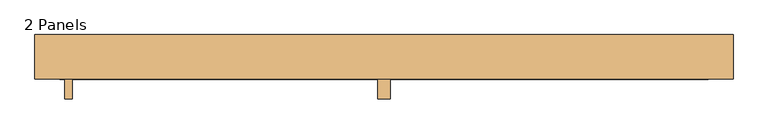
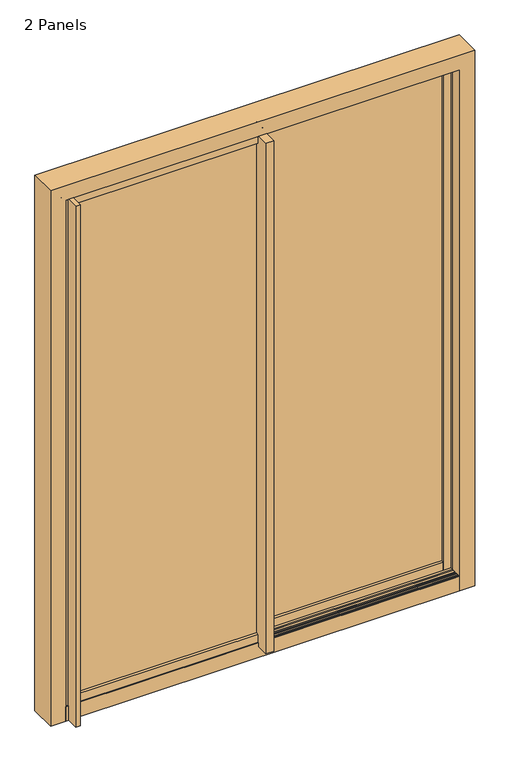
"""IFC4 building model written with IfcOpenShell, lengths in millimetres: door geometry, 2 Panels."""

from ifc_helpers import new_model, si_unit, point, frame, frame_2d, origin, origin_with_axes, place, context, project, spatial, polyline, circle_curve, ellipse_curve, trimmed, segment, composite_curve, outline, extrude, faceted_brep, source, transform, mapped, element, save
from ifc_brep_helpers import plane_surface, cylinder_surface, advanced_brep


def door_2_panels_af30ab54(model_context):
    return source(origin(), model_context, "Body", "SolidModel", [
        extrude(outline(polyline([(815.9757468, 82.5290794), (863.9741464, 82.5290794), (868.3632468, 81.4515037), (868.3632468, 79.9594375), (846.9383468, 79.9594375), (846.9383468, 70.6956282), (840.8876047, 70.6956282), (840.8876047, 49.9100696), (846.9383468, 49.9100696), (846.9383468, 40.6462603), (868.3632468, 40.6462603), (868.3632468, 39.1541941), (863.9741464, 38.0766184), (815.9757468, 38.0766184), (815.9757468, 47.6040794), (828.7285342, 47.6040794), (828.7285342, 73.0040794), (815.9757468, 73.0040794), (815.9757468, 82.5290794)])), origin_with_axes(), (0.0, 0.0, 1.0), 2373.3132468),
        extrude(outline(polyline([(-6.3442857, 24.1258107), (-7.514721, 23.8210107), (-7.7221895, 26.1886928), (-12.4839012, 26.1886928), (-12.6913697, 23.8210107), (-16.881, 23.8210107), (-16.881, 82.8244537), (17.119, 82.8244537), (17.119, 73.0081102), (4.3200485, 73.0081102), (4.3200485, 47.6081102), (17.119, 47.6081102), (17.119, 38.0806497), (-4.9252907, 38.0806497), (-4.9252907, 34.0128698), (0.4595907, 33.0014697), (0.4595907, 31.2425381), (-1.3311907, 30.532162), (-1.3311907, 27.2191131), (4.3200485, 26.1576852), (4.3200485, 24.7818627), (-1.9280907, 24.1258107), (-6.3442857, 24.1258107)])), frame((0.0, 0.0, 47.224651), z_axis=(0.0, 0.0, 1.0), x_axis=(1.0, 0.0, 0.0)), (0.0, 0.0, 1.0), 2326.0885959),
        extrude(outline(polyline([(17.0, 36.5058497), (17.0, -80.5285393), (-17.0, -80.5285393), (-17.0, -12.7), (-4.2521035, -12.7), (-4.2521035, 12.7), (-17.0, 12.7), (-17.0, 22.2462107), (5.0442907, 22.2462107), (5.0442907, 26.1984133), (-0.3405907, 27.2098134), (-0.3405907, 29.0843223), (1.4089324, 29.7783319), (1.4089324, 32.9862567), (-4.2010485, 34.0399354), (-4.2010485, 35.5449977), (4.9499593, 36.5058497), (7.633721, 36.5058497), (7.8411895, 34.1381676), (12.6029012, 34.1381676), (12.8103697, 36.5058497), (17.0, 36.5058497)])), frame((0.0, 0.0, 47.224651), z_axis=(0.0, 0.0, 1.0), x_axis=(1.0, 0.0, 0.0)), (0.0, 0.0, 1.0), 2326.0885959),
        extrude(outline(polyline([(-836.6132469, 80.5447926), (-815.9757468, 80.5447926), (-815.9757468, 12.7), (-828.7283564, 12.7), (-828.7283564, -12.7), (-815.9757468, -12.7), (-815.9757468, -80.5048322), (-836.6132469, -80.5048322), (-836.6132469, -22.213902), (-868.3632468, -22.213902), (-868.3632468, 22.2538623), (-836.6132469, 22.2538623), (-836.6132469, 80.5447926)])), origin_with_axes(), (0.0, 0.0, 1.0), 2373.3132468),
        advanced_brep(
        [(856.2779983, 22.2356443, 4.3891646), (855.4609412, 22.6166443, 4.3891646), (850.8880468, 22.6166443, 4.3891646), (850.8880468, -22.5953557, 4.3891646), (855.4591439, -22.5953557, 4.3891646), (856.2779983, -22.2143557, 4.3891646), (875.9651815, -22.2143557, 4.3891646), (878.3682772, -21.0937738, 4.3891646), (879.0338165, -22.5210273, 4.3891646), (876.3143063, -23.7891557, 4.3891646), (849.3132468, -23.7891557, 4.3891646), (849.3132468, 23.8104443, 4.3891646), (876.3143063, 23.8104443, 4.3891646), (879.0338165, 22.5423159, 4.3891646), (878.3682772, 21.1150624, 4.3891646), (875.9651815, 22.2356443, 4.3891646), (856.2779983, 22.2356443, 2380.2155092), (855.4609412, 22.6166443, 2379.398452), (0.0624891, 22.6166443, 2379.398452), (0.0624891, 22.6166443, 2374.8255577), (850.8880468, 22.6166443, 2374.8255577), (850.8880468, -22.5953557, 2374.8255577), (0.0624891, -22.5953557, 2374.8255577), (0.0624891, -22.5953557, 2379.3966548), (855.4591439, -22.5953557, 2379.3966548), (856.2779983, -22.2143557, 2380.2155092), (0.0624891, -22.2143557, 2380.2155092), (0.0624891, -22.2143557, 2399.9026924), (875.9651815, -22.2143557, 2399.9026924), (878.3682772, -21.0937738, 2402.3057881), (879.0338165, -22.5210273, 2402.9713274), (876.3143063, -23.7891557, 2400.2518172), (0.0624891, -23.7891557, 2400.2518172), (0.0624891, -23.7891557, 2373.2507577), (849.3132468, -23.7891557, 2373.2507577), (849.3132468, 23.8104443, 2373.2507577), (0.0624891, 23.8104443, 2373.2507577), (0.0624891, 23.8104443, 2400.2518172), (876.3143063, 23.8104443, 2400.2518172), (879.0338165, 22.5423159, 2402.9713274), (878.3682772, 21.1150624, 2402.3057881), (875.9651815, 22.2356443, 2399.9026924), (0.0624891, 22.2356443, 2399.9026924), (0.0624891, 22.2356443, 2380.2155092), (0.0624891, 21.1150624, 2402.3057881), (0.0624891, 22.5423159, 2402.9713274), (0.0624891, -22.5210273, 2402.9713274), (0.0624891, -21.0937738, 2402.3057881)],
        [
            (0, 1),
            (1, 2),
            (2, 3),
            (3, 4),
            (4, 5),
            (5, 6),
            (6, 7),
            (7, 8, circle_curve(frame((878.5748783, -21.8662339, 4.3891646), z_axis=(0.0, 0.0, -1.0), x_axis=(-1.0, 0.0, 0.0)), 0.7996115)),
            (8, 9),
            (9, 10),
            (10, 11),
            (11, 12),
            (12, 13),
            (13, 14, circle_curve(frame((878.5748783, 21.8875225, 4.3891646), z_axis=(0.0, 0.0, -1.0), x_axis=(-1.0, 0.0, 0.0)), 0.7996115)),
            (14, 15),
            (15, 0),
            (0, 16),
            (16, 17),
            (17, 1),
            (17, 18),
            (18, 19),
            (19, 20),
            (20, 2),
            (20, 21),
            (21, 3),
            (21, 22),
            (22, 23),
            (23, 24),
            (24, 4),
            (24, 25),
            (25, 5),
            (25, 26),
            (26, 27),
            (27, 28),
            (28, 6),
            (28, 29),
            (29, 7),
            (29, 30, ellipse_curve(frame((878.5748783, -21.8662339, 2402.5123892), z_axis=(0.7071067811865475, 0.0, -0.7071067811865475), x_axis=(-0.7071067811865474, 0.0, -0.7071067811865476)), 1.1308215, 0.7996115)),
            (30, 8),
            (30, 31),
            (31, 9),
            (31, 32),
            (32, 33),
            (33, 34),
            (34, 10),
            (34, 35),
            (35, 11),
            (35, 36),
            (36, 37),
            (37, 38),
            (38, 12),
            (38, 39),
            (39, 13),
            (39, 40, ellipse_curve(frame((878.5748783, 21.8875225, 2402.5123892), z_axis=(0.7071067811865475, 0.0, -0.7071067811865475), x_axis=(-0.7071067811865474, 0.0, -0.7071067811865476)), 1.1308215, 0.7996115)),
            (40, 14),
            (40, 41),
            (41, 15),
            (41, 42),
            (42, 43),
            (43, 16),
            (42, 44),
            (44, 45, circle_curve(frame((0.0624891, 21.8875225, 2402.5123892), z_axis=(-1.0, 0.0, 0.0), x_axis=(0.0, 0.0, -1.0)), 0.7996115)),
            (45, 37),
            (36, 33),
            (32, 46),
            (46, 47, circle_curve(frame((0.0624891, -21.8662339, 2402.5123892), z_axis=(-1.0, 0.0, 0.0), x_axis=(0.0, 0.0, -1.0)), 0.7996115)),
            (47, 27),
            (26, 23),
            (22, 19),
            (18, 43),
            (40, 44),
            (39, 45),
            (30, 46),
            (29, 47),
        ],
        [
            plane_surface(frame((914.4624891, -60.2665413, 4.3891646), z_axis=(0.0, 0.0, -1.0), x_axis=(0.0, -1.0, 0.0))),
            plane_surface(frame((856.2779983, 22.2356443, 4.3891646), z_axis=(-0.4226182571726684, -0.9063077891667579, 0.0), x_axis=(0.0, 0.0, 1.0))),
            plane_surface(frame((855.4609412, 22.6166443, 4.3891646), z_axis=(0.0, -1.0, 0.0), x_axis=(0.0, 0.0, 1.0))),
            plane_surface(frame((850.8880468, 22.6166443, 4.3891646), z_axis=(1.0, 0.0, 0.0), x_axis=(0.0, 0.0, 1.0))),
            plane_surface(frame((850.8880468, -22.5953557, 4.3891646), z_axis=(0.0, 1.0, 0.0), x_axis=(0.0, 0.0, 1.0))),
            plane_surface(frame((855.4591439, -22.5953557, 4.3891646), z_axis=(-0.4218559087348512, 0.906662887883635, 0.0), x_axis=(0.0, 0.0, 1.0))),
            plane_surface(frame((856.2779983, -22.2143557, 4.3891646), z_axis=(0.0, 1.0, 0.0), x_axis=(0.0, 0.0, 1.0))),
            plane_surface(frame((875.9651815, -22.2143557, 4.3891646), z_axis=(-0.42261825717236645, 0.9063077891668987, 0.0), x_axis=(0.0, 0.0, 1.0))),
            cylinder_surface(frame((878.5748783, -21.8662339, 4.3891646), z_axis=(0.0, 0.0, -1.0), x_axis=(-1.0, 0.0, 0.0)), 0.7996115),
            plane_surface(frame((879.0338165, -22.5210273, 4.3891646), z_axis=(0.42261825717223656, -0.9063077891669592, 0.0), x_axis=(0.0, 0.0, 1.0))),
            plane_surface(frame((876.3143063, -23.7891557, 4.3891646), z_axis=(0.0, -1.0, 0.0), x_axis=(0.0, 0.0, 1.0))),
            plane_surface(frame((849.3132468, -23.7891557, 4.3891646), z_axis=(-1.0, 0.0, 0.0), x_axis=(0.0, 0.0, 1.0))),
            plane_surface(frame((849.3132468, 23.8104443, 4.3891646), z_axis=(0.0, 1.0, 0.0), x_axis=(0.0, 0.0, 1.0))),
            plane_surface(frame((876.3143063, 23.8104443, 4.3891646), z_axis=(0.4226182571722667, 0.9063077891669452, 0.0), x_axis=(0.0, 0.0, 1.0))),
            cylinder_surface(frame((878.5748783, 21.8875225, 4.3891646), z_axis=(0.0, 0.0, -1.0), x_axis=(-1.0, 0.0, 0.0)), 0.7996115),
            plane_surface(frame((878.3682772, 21.1150624, 4.3891646), z_axis=(-0.42261825717239265, -0.9063077891668865, 0.0), x_axis=(0.0, 0.0, 1.0))),
            plane_surface(frame((875.9651815, 22.2356443, 4.3891646), z_axis=(0.0, -1.0, 0.0), x_axis=(0.0, 0.0, 1.0))),
            plane_surface(frame((0.0624891, -60.2665413, 2438.4), z_axis=(-1.0, 0.0, 0.0), x_axis=(0.0, -1.0, 0.0))),
            plane_surface(frame((878.3682772, 21.1150624, 2402.3057881), z_axis=(0.0, -0.9063077891668865, -0.42261825717239265), x_axis=(-1.0, 0.0, 0.0))),
            cylinder_surface(frame((914.4624891, 21.8875225, 2402.5123892), z_axis=(1.0, 0.0, 0.0), x_axis=(0.0, 0.0, -1.0)), 0.7996115),
            plane_surface(frame((876.3143063, 23.8104443, 2400.2518172), z_axis=(0.0, 0.9063077891669452, 0.4226182571722667), x_axis=(-1.0, 0.0, 0.0))),
            plane_surface(frame((849.3132468, -23.7891557, 2373.2507577), z_axis=(0.0, 0.0, -1.0), x_axis=(-1.0, 0.0, 0.0))),
            plane_surface(frame((879.0338165, -22.5210273, 2402.9713274), z_axis=(0.0, -0.9063077891669592, 0.42261825717223656), x_axis=(-1.0, 0.0, 0.0))),
            cylinder_surface(frame((914.4624891, -21.8662339, 2402.5123892), z_axis=(1.0, 0.0, 0.0), x_axis=(0.0, 0.0, -1.0)), 0.7996115),
            plane_surface(frame((875.9651815, -22.2143557, 2399.9026924), z_axis=(0.0, 0.9063077891668987, -0.42261825717236645), x_axis=(-1.0, 0.0, 0.0))),
            plane_surface(frame((855.4591439, -22.5953557, 2379.3966548), z_axis=(0.0, 0.906662887883635, -0.4218559087348512), x_axis=(-1.0, 0.0, 0.0))),
            plane_surface(frame((850.8880468, 22.6166443, 2374.8255577), z_axis=(0.0, 0.0, 1.0), x_axis=(-1.0, 0.0, 0.0))),
            plane_surface(frame((856.2779983, 22.2356443, 2380.2155092), z_axis=(0.0, -0.9063077891667579, -0.4226182571726684), x_axis=(-1.0, 0.0, 0.0))),
        ],
        [
            (0, [[1, 2, 3, 4, 5, 6, 7, 8, 9, 10, 11, 12, 13, 14, 15, 16]]),
            (1, [[-1, 17, 18, 19]]),
            (2, [[-2, -19, 20, 21, 22, 23]]),
            (3, [[-3, -23, 24, 25]]),
            (4, [[-4, -25, 26, 27, 28, 29]]),
            (5, [[-5, -29, 30, 31]]),
            (6, [[-6, -31, 32, 33, 34, 35]]),
            (7, [[-7, -35, 36, 37]]),
            (8, [[-8, -37, 38, 39]]),
            (9, [[-9, -39, 40, 41]]),
            (10, [[-10, -41, 42, 43, 44, 45]]),
            (11, [[-11, -45, 46, 47]]),
            (12, [[-12, -47, 48, 49, 50, 51]]),
            (13, [[-13, -51, 52, 53]]),
            (14, [[-14, -53, 54, 55]]),
            (15, [[-15, -55, 56, 57]]),
            (16, [[-16, -57, 58, 59, 60, -17]]),
            (17, [[-59, 61, 62, 63, -49, 64, -43, 65, 66, 67, -33, 68, -27, 69, -21, 70]]),
            (18, [[-56, 71, -61, -58]]),
            (19, [[-54, 72, -62, -71]]),
            (20, [[-52, -50, -63, -72]]),
            (21, [[-46, -44, -64, -48]]),
            (22, [[-40, 73, -65, -42]]),
            (23, [[-38, 74, -66, -73]]),
            (24, [[-36, -34, -67, -74]]),
            (25, [[-30, -28, -68, -32]]),
            (26, [[-24, -22, -69, -26]]),
            (27, [[-18, -60, -70, -20]]),
        ],
    ),
        advanced_brep(
        [(-856.2155092, 82.5021856, 4.3891646), (-875.9026924, 82.5021856, 4.3891646), (-878.3057881, 81.3816037, 4.3891646), (-878.9713274, 82.8088572, 4.3891646), (-876.2518172, 84.0769856, 4.3891646), (-849.2507577, 84.0769856, 4.3891646), (-849.2507577, 36.4773856, 4.3891646), (-876.2518172, 36.4773856, 4.3891646), (-878.9713274, 37.745514, 4.3891646), (-878.3057881, 39.1727675, 4.3891646), (-875.9026924, 38.0521856, 4.3891646), (-856.2155092, 38.0521856, 4.3891646), (-855.3966548, 37.6711856, 4.3891646), (-850.8255577, 37.6711856, 4.3891646), (-850.8255577, 82.8831856, 4.3891646), (-855.398452, 82.8831856, 4.3891646), (-856.2155092, 82.5021856, 2380.2155092), (0.0, 82.5021856, 2380.2155092), (0.0, 82.5021856, 2399.9026924), (-875.9026924, 82.5021856, 2399.9026924), (-878.3057881, 81.3816037, 2402.3057881), (-878.9713274, 82.8088572, 2402.9713274), (-876.2518172, 84.0769856, 2400.2518172), (0.0, 84.0769856, 2400.2518172), (0.0, 84.0769856, 2373.2507577), (-849.2507577, 84.0769856, 2373.2507577), (-849.2507577, 36.4773856, 2373.2507577), (0.0, 36.4773856, 2373.2507577), (0.0, 36.4773856, 2400.2518172), (-876.2518172, 36.4773856, 2400.2518172), (-878.9713274, 37.745514, 2402.9713274), (-878.3057881, 39.1727675, 2402.3057881), (-875.9026924, 38.0521856, 2399.9026924), (0.0, 38.0521856, 2399.9026924), (0.0, 38.0521856, 2380.2155092), (-856.2155092, 38.0521856, 2380.2155092), (-855.3966548, 37.6711856, 2379.3966548), (0.0, 37.6711856, 2379.3966548), (0.0, 37.6711856, 2374.8255577), (-850.8255577, 37.6711856, 2374.8255577), (-850.8255577, 82.8831856, 2374.8255577), (0.0, 82.8831856, 2374.8255577), (0.0, 82.8831856, 2379.398452), (-855.398452, 82.8831856, 2379.398452), (0.0, 39.1727675, 2402.3057881), (0.0, 37.745514, 2402.9713274), (0.0, 82.8088572, 2402.9713274), (0.0, 81.3816037, 2402.3057881)],
        [
            (0, 1),
            (1, 2),
            (2, 3, circle_curve(frame((-878.5123892, 82.1540638, 4.3891646), z_axis=(0.0, 0.0, -1.0), x_axis=(-1.0, 0.0, 0.0)), 0.7996115)),
            (3, 4),
            (4, 5),
            (5, 6),
            (6, 7),
            (7, 8),
            (8, 9, circle_curve(frame((-878.5123892, 38.4003074, 4.3891646), z_axis=(0.0, 0.0, -1.0), x_axis=(-1.0, 0.0, 0.0)), 0.7996115)),
            (9, 10),
            (10, 11),
            (11, 12),
            (12, 13),
            (13, 14),
            (14, 15),
            (15, 0),
            (0, 16),
            (16, 17),
            (17, 18),
            (18, 19),
            (19, 1),
            (19, 20),
            (20, 2),
            (20, 21, ellipse_curve(frame((-878.5123892, 82.1540638, 2402.5123892), z_axis=(-0.7071067811865475, 0.0, -0.7071067811865475), x_axis=(0.7071067811865474, 0.0, -0.7071067811865476)), 1.1308215, 0.7996115)),
            (21, 3),
            (21, 22),
            (22, 4),
            (22, 23),
            (23, 24),
            (24, 25),
            (25, 5),
            (25, 26),
            (26, 6),
            (26, 27),
            (27, 28),
            (28, 29),
            (29, 7),
            (29, 30),
            (30, 8),
            (30, 31, ellipse_curve(frame((-878.5123892, 38.4003074, 2402.5123892), z_axis=(-0.7071067811865475, 0.0, -0.7071067811865475), x_axis=(0.7071067811865474, 0.0, -0.7071067811865476)), 1.1308215, 0.7996115)),
            (31, 9),
            (31, 32),
            (32, 10),
            (32, 33),
            (33, 34),
            (34, 35),
            (35, 11),
            (35, 36),
            (36, 12),
            (36, 37),
            (37, 38),
            (38, 39),
            (39, 13),
            (39, 40),
            (40, 14),
            (40, 41),
            (41, 42),
            (42, 43),
            (43, 15),
            (43, 16),
            (17, 42),
            (41, 38),
            (37, 34),
            (33, 44),
            (44, 45, circle_curve(frame((0.0, 38.4003074, 2402.5123892), z_axis=(1.0, 0.0, 0.0), x_axis=(0.0, 0.0, 1.0)), 0.7996115)),
            (45, 28),
            (27, 24),
            (23, 46),
            (46, 47, circle_curve(frame((0.0, 82.1540638, 2402.5123892), z_axis=(1.0, 0.0, 0.0), x_axis=(0.0, 0.0, 1.0)), 0.7996115)),
            (47, 18),
            (31, 44),
            (30, 45),
            (21, 46),
            (20, 47),
        ],
        [
            plane_surface(frame((-914.4, 0.0, 4.3891646), z_axis=(0.0, 0.0, -1.0), x_axis=(0.0, -1.0, 0.0))),
            plane_surface(frame((-856.2155092, 82.5021856, 4.3891646), z_axis=(0.0, -1.0, 0.0), x_axis=(0.0, 0.0, 1.0))),
            plane_surface(frame((-875.9026924, 82.5021856, 4.3891646), z_axis=(0.42261825717239265, -0.9063077891668865, 0.0), x_axis=(0.0, 0.0, 1.0))),
            cylinder_surface(frame((-878.5123892, 82.1540638, 4.3891646), z_axis=(0.0, 0.0, -1.0), x_axis=(-1.0, 0.0, 0.0)), 0.7996115),
            plane_surface(frame((-878.9713274, 82.8088572, 4.3891646), z_axis=(-0.422618257172269, 0.9063077891669441, 0.0), x_axis=(0.0, 0.0, 1.0))),
            plane_surface(frame((-876.2518172, 84.0769856, 4.3891646), z_axis=(0.0, 1.0, 0.0), x_axis=(0.0, 0.0, 1.0))),
            plane_surface(frame((-849.2507577, 84.0769856, 4.3891646), z_axis=(1.0, 0.0, 0.0), x_axis=(0.0, 0.0, 1.0))),
            plane_surface(frame((-849.2507577, 36.4773856, 4.3891646), z_axis=(0.0, -1.0, 0.0), x_axis=(0.0, 0.0, 1.0))),
            plane_surface(frame((-876.2518172, 36.4773856, 4.3891646), z_axis=(-0.42261825717223656, -0.9063077891669592, 0.0), x_axis=(0.0, 0.0, 1.0))),
            cylinder_surface(frame((-878.5123892, 38.4003074, 4.3891646), z_axis=(0.0, 0.0, -1.0), x_axis=(-1.0, 0.0, 0.0)), 0.7996115),
            plane_surface(frame((-878.3057881, 39.1727675, 4.3891646), z_axis=(0.42261825717236645, 0.9063077891668987, 0.0), x_axis=(0.0, 0.0, 1.0))),
            plane_surface(frame((-875.9026924, 38.0521856, 4.3891646), z_axis=(0.0, 1.0, 0.0), x_axis=(0.0, 0.0, 1.0))),
            plane_surface(frame((-856.2155092, 38.0521856, 4.3891646), z_axis=(0.4218559087348512, 0.906662887883635, 0.0), x_axis=(0.0, 0.0, 1.0))),
            plane_surface(frame((-855.3966548, 37.6711856, 4.3891646), z_axis=(0.0, 1.0, 0.0), x_axis=(0.0, 0.0, 1.0))),
            plane_surface(frame((-850.8255577, 37.6711856, 4.3891646), z_axis=(-1.0, 0.0, 0.0), x_axis=(0.0, 0.0, 1.0))),
            plane_surface(frame((-850.8255577, 82.8831856, 4.3891646), z_axis=(0.0, -1.0, 0.0), x_axis=(0.0, 0.0, 1.0))),
            plane_surface(frame((-855.398452, 82.8831856, 4.3891646), z_axis=(0.4226182571726684, -0.9063077891667579, 0.0), x_axis=(0.0, 0.0, 1.0))),
            plane_surface(frame((0.0, 0.0, 2438.4), z_axis=(1.0, 0.0, 0.0), x_axis=(0.0, -1.0, 0.0))),
            plane_surface(frame((-855.398452, 82.8831856, 2379.398452), z_axis=(0.0, -0.9063077891667579, -0.4226182571726684), x_axis=(1.0, 0.0, 0.0))),
            plane_surface(frame((-850.8255577, 37.6711856, 2374.8255577), z_axis=(0.0, 0.0, 1.0), x_axis=(1.0, 0.0, 0.0))),
            plane_surface(frame((-856.2155092, 38.0521856, 2380.2155092), z_axis=(0.0, 0.906662887883635, -0.4218559087348512), x_axis=(1.0, 0.0, 0.0))),
            plane_surface(frame((-878.3057881, 39.1727675, 2402.3057881), z_axis=(0.0, 0.9063077891668987, -0.42261825717236645), x_axis=(1.0, 0.0, 0.0))),
            cylinder_surface(frame((-914.4, 38.4003074, 2402.5123892), z_axis=(-1.0, 0.0, 0.0), x_axis=(0.0, 0.0, 1.0)), 0.7996115),
            plane_surface(frame((-876.2518172, 36.4773856, 2400.2518172), z_axis=(0.0, -0.9063077891669592, 0.42261825717223656), x_axis=(1.0, 0.0, 0.0))),
            plane_surface(frame((-849.2507577, 84.0769856, 2373.2507577), z_axis=(0.0, 0.0, -1.0), x_axis=(1.0, 0.0, 0.0))),
            plane_surface(frame((-878.9713274, 82.8088572, 2402.9713274), z_axis=(0.0, 0.9063077891669441, 0.422618257172269), x_axis=(1.0, 0.0, 0.0))),
            cylinder_surface(frame((-914.4, 82.1540638, 2402.5123892), z_axis=(-1.0, 0.0, 0.0), x_axis=(0.0, 0.0, 1.0)), 0.7996115),
            plane_surface(frame((-875.9026924, 82.5021856, 2399.9026924), z_axis=(0.0, -0.9063077891668865, -0.42261825717239265), x_axis=(1.0, 0.0, 0.0))),
        ],
        [
            (0, [[1, 2, 3, 4, 5, 6, 7, 8, 9, 10, 11, 12, 13, 14, 15, 16]]),
            (1, [[-1, 17, 18, 19, 20, 21]]),
            (2, [[-2, -21, 22, 23]]),
            (3, [[-3, -23, 24, 25]]),
            (4, [[-4, -25, 26, 27]]),
            (5, [[-5, -27, 28, 29, 30, 31]]),
            (6, [[-6, -31, 32, 33]]),
            (7, [[-7, -33, 34, 35, 36, 37]]),
            (8, [[-8, -37, 38, 39]]),
            (9, [[-9, -39, 40, 41]]),
            (10, [[-10, -41, 42, 43]]),
            (11, [[-11, -43, 44, 45, 46, 47]]),
            (12, [[-12, -47, 48, 49]]),
            (13, [[-13, -49, 50, 51, 52, 53]]),
            (14, [[-14, -53, 54, 55]]),
            (15, [[-15, -55, 56, 57, 58, 59]]),
            (16, [[-16, -59, 60, -17]]),
            (17, [[61, -57, 62, -51, 63, -45, 64, 65, 66, -35, 67, -29, 68, 69, 70, -19]]),
            (18, [[-60, -58, -61, -18]]),
            (19, [[-54, -52, -62, -56]]),
            (20, [[-48, -46, -63, -50]]),
            (21, [[-42, 71, -64, -44]]),
            (22, [[-40, 72, -65, -71]]),
            (23, [[-38, -36, -66, -72]]),
            (24, [[-32, -30, -67, -34]]),
            (25, [[-26, 73, -68, -28]]),
            (26, [[-24, 74, -69, -73]]),
            (27, [[-22, -20, -70, -74]]),
        ],
    ),
        faceted_brep([(-914.4, -28.156056, 0.0), (-914.4, 88.4475797, 0.0), (-849.3132468, 88.4475797, 0.0), (-849.3132468, 84.4597797, 0.0), (-879.4884478, 84.4597797, 0.0), (-879.4884478, 36.1080384, 0.0), (-849.2507577, 36.1080384, 0.0), (-849.2507577, 24.1700384, 0.0), (-879.4884478, 24.1700384, 0.0), (-879.4884478, -24.168256, 0.0), (-849.3132468, -24.168256, 0.0), (-849.3132468, -28.156056, 0.0), (-914.4, -28.156056, 2438.4), (-914.4, 88.4475797, 2438.4), (914.4, 88.4475797, 2438.4), (914.4, 88.4475797, 0.0), (849.3132468, 88.4475797, 0.0), (849.3132468, 88.4475797, 2373.3132468), (-849.3132468, 88.4475797, 2373.3132468), (-849.3132468, 84.4597797, 2373.3132468), (849.3132468, 84.4597797, 2373.3132468), (849.3132468, 84.4597797, 0.0), (879.4884478, 84.4597797, 0.0), (879.4884478, 84.4597797, 2403.4884478), (-879.4884478, 84.4597797, 2403.4884478), (-879.4884478, 36.1080384, 2403.4884478), (879.4884478, 36.1080384, 2403.4884478), (879.4884478, 36.1080384, 0.0), (849.2507577, 36.1080384, 0.0), (849.2507577, 36.1080384, 2373.2507577), (-849.2507577, 36.1080384, 2373.2507577), (-849.2507577, 24.1700384, 2373.2507577), (849.2507577, 24.1700384, 2373.2507577), (849.2507577, 24.1700384, 0.0), (879.4884478, 24.1700384, 0.0), (879.4884478, 24.1700384, 2403.4884478), (-879.4884478, 24.1700384, 2403.4884478), (-879.4884478, -24.168256, 2403.4884478), (879.4884478, -24.168256, 2403.4884478), (879.4884478, -24.168256, 0.0), (849.3132468, -24.168256, 0.0), (849.3132468, -24.168256, 2373.3132468), (-849.3132468, -24.168256, 2373.3132468), (-849.3132468, -28.156056, 2373.3132468), (849.3132468, -28.156056, 2373.3132468), (849.3132468, -28.156056, 0.0), (914.4, -28.156056, 0.0), (914.4, -28.156056, 2438.4)], [[[0, 1, 2, 3, 4, 5, 6, 7, 8, 9, 10, 11]], [[1, 0, 12, 13]], [[2, 1, 13, 14, 15, 16, 17, 18]], [[3, 2, 18, 19]], [[4, 3, 19, 20, 21, 22, 23, 24]], [[5, 4, 24, 25]], [[6, 5, 25, 26, 27, 28, 29, 30]], [[7, 6, 30, 31]], [[8, 7, 31, 32, 33, 34, 35, 36]], [[9, 8, 36, 37]], [[10, 9, 37, 38, 39, 40, 41, 42]], [[11, 10, 42, 43]], [[0, 11, 43, 44, 45, 46, 47, 12]], [[46, 45, 40, 39, 34, 33, 28, 27, 22, 21, 16, 15]], [[44, 41, 40, 45]], [[38, 35, 34, 39]], [[32, 29, 28, 33]], [[26, 23, 22, 27]], [[20, 17, 16, 21]], [[14, 47, 46, 15]], [[13, 12, 47, 14]], [[19, 18, 17, 20]], [[25, 24, 23, 26]], [[31, 30, 29, 32]], [[37, 36, 35, 38]], [[43, 42, 41, 44]]]),
        extrude(outline(polyline([(-4.2521035, 12.0), (-4.2521035, -12.0), (-849.2507577, -12.0), (-849.2507577, 12.0), (-4.2521035, 12.0)])), frame((0.0, 0.0, 85.6716611), z_axis=(0.0, 0.0, 1.0), x_axis=(1.0, 0.0, 0.0)), (0.0, 0.0, 1.0), 2266.7050301),
        extrude(outline(polyline([(828.7285342, 73.0081102), (828.7285342, 47.5893606), (4.3200485, 47.5893606), (4.3200485, 73.0081102), (828.7285342, 73.0081102)])), frame((0.0, 0.0, 85.6716611), z_axis=(0.0, 0.0, 1.0), x_axis=(1.0, 0.0, 0.0)), (0.0, 0.0, 1.0), 2266.7050301),
        extrude(outline(composite_curve([segment(polyline([(-22.0185507, 99.692407), (-12.6852812, 103.0894389), (-12.6852812, 85.6716611), (12.7147188, 85.6716611), (12.7147188, 103.0894392), (22.0504493, 99.6915111), (22.0504493, 56.4374283), (21.2530712, 53.1102647)]), True, "CONTINUOUS"), segment(trimmed(circle_curve(frame_2d((20.2657993, 53.3501611)), 1.016), [point((21.2530712, 53.1102647))], [point((19.4412296, 52.7565781))], False, "CARTESIAN"), True, "CONTINUOUS"), segment(polyline([(19.4412296, 52.7565781), (19.4412296, 67.5918848), (-19.4093309, 67.5918848), (-19.4093309, 52.7565781)]), True, "CONTINUOUS"), segment(trimmed(circle_curve(frame_2d((-20.2339006, 53.3501611)), 1.016), [point((-19.4093309, 52.7565781))], [point((-21.2211725, 53.1102647))], False, "CARTESIAN"), True, "CONTINUOUS"), segment(polyline([(-21.2211725, 53.1102647), (-22.0185507, 56.4374283), (-22.0185507, 99.692407)]), True, "CONTINUOUS")], self_intersect=False)), frame((-868.3632468, 0.0, 0.0), z_axis=(1.0, 0.0, 0.0), x_axis=(0.0, 1.0, 0.0)), (0.0, 0.0, 1.0), 868.3632468),
        extrude(outline(composite_curve([segment(polyline([(-22.0185507, 2338.3559453), (-22.0185507, 2381.610924), (-21.2211725, 2384.9380876)]), True, "CONTINUOUS"), segment(trimmed(circle_curve(frame_2d((-20.2339006, 2384.6981912)), 1.016), [point((-21.2211725, 2384.9380876))], [point((-19.4093309, 2385.2917743))], False, "CARTESIAN"), True, "CONTINUOUS"), segment(polyline([(-19.4093309, 2385.2917743), (-19.4093309, 2370.4564675), (19.4412296, 2370.4564675), (19.4412296, 2385.2917743)]), True, "CONTINUOUS"), segment(trimmed(circle_curve(frame_2d((20.2657993, 2384.6981912)), 1.016), [point((19.4412296, 2385.2917743))], [point((21.2530712, 2384.9380876))], False, "CARTESIAN"), True, "CONTINUOUS"), segment(polyline([(21.2530712, 2384.9380876), (22.0504493, 2381.610924), (22.0504493, 2338.3568413), (12.7147188, 2334.9589131), (12.7147188, 2352.3766912), (-12.6852812, 2352.3766912), (-12.6852812, 2334.9589135), (-22.0185507, 2338.3559453)]), True, "CONTINUOUS")], self_intersect=False)), frame((-868.3632468, 0.0, 0.0), z_axis=(1.0, 0.0, 0.0), x_axis=(0.0, 1.0, 0.0)), (0.0, 0.0, 1.0), 864.1111433),
        extrude(outline(composite_curve([segment(polyline([(38.2708099, 99.692407), (47.6040794, 103.0894389), (47.6040794, 85.6716611), (73.0040794, 85.6716611), (73.0040794, 103.0894392), (82.3398099, 99.6915111), (82.3398099, 56.4374283), (81.5424318, 53.1102647)]), True, "CONTINUOUS"), segment(trimmed(circle_curve(frame_2d((80.5551599, 53.3501611)), 1.016), [point((81.5424318, 53.1102647))], [point((79.7305902, 52.7565781))], False, "CARTESIAN"), True, "CONTINUOUS"), segment(polyline([(79.7305902, 52.7565781), (79.7305902, 67.5918848), (40.8800296, 67.5918848), (40.8800296, 52.7565781)]), True, "CONTINUOUS"), segment(trimmed(circle_curve(frame_2d((40.0554599, 53.3501611)), 1.016), [point((40.8800296, 52.7565781))], [point((39.0681881, 53.1102647))], False, "CARTESIAN"), True, "CONTINUOUS"), segment(polyline([(39.0681881, 53.1102647), (38.2708099, 56.4374283), (38.2708099, 99.692407)]), True, "CONTINUOUS")], self_intersect=False)), frame((0.0, 0.0, 0.0), z_axis=(1.0, 0.0, 0.0), x_axis=(0.0, 1.0, 0.0)), (0.0, 0.0, 1.0), 849.3132468),
        extrude(outline(composite_curve([segment(polyline([(7.1326099, 65.0867532), (17.0466729, 65.0867532)]), True, "CONTINUOUS"), segment(trimmed(circle_curve(frame_2d((17.0466729, 64.2993532)), 0.7874), [point((17.0466729, 65.0867532))], [point((17.8340729, 64.2993532))], False, "CARTESIAN"), True, "CONTINUOUS"), segment(polyline([(17.8340729, 64.2993532), (17.8340729, 50.8682481), (24.1700384, 50.8682481), (24.1700384, 65.1492423), (36.1080384, 65.1492423), (36.1080384, 55.5443706), (38.2722189, 55.5443706), (38.2722189, 52.2919994), (40.0751657, 52.2919994)]), True, "CONTINUOUS"), segment(trimmed(circle_curve(frame_2d((40.0751657, 53.0857494)), 0.79375), [point((40.0751657, 52.2919994))], [point((40.8689157, 53.0857494))], True, "CARTESIAN"), True, "CONTINUOUS"), segment(polyline([(40.8689157, 53.0857494), (40.8594556, 57.664284), (46.7071248, 63.5119532), (73.8296821, 63.5119532), (79.6759926, 57.6656427), (79.6854555, 53.0857494)]), True, "CONTINUOUS"), segment(trimmed(circle_curve(frame_2d((80.4792055, 53.0857494)), 0.79375), [point((79.6854555, 53.0857494))], [point((80.4792055, 52.2919994))], True, "CARTESIAN"), True, "CONTINUOUS"), segment(polyline([(80.4792055, 52.2919994), (82.264588, 52.2919994), (82.264588, 55.5443706), (84.4463328, 55.5443706), (84.4463328, 65.0867532), (88.4341328, 65.0867532), (88.4341328, 0.0), (83.2485566, 0.0), (82.7721429, 1.778), (86.6561328, 1.778), (86.6561328, 5.0863963), (77.2966319, 5.576907), (55.7248817, 5.576907), (55.7248817, 6.7074345), (49.4170384, 7.0380145), (49.4170384, 1.9812), (52.4142384, 1.9812), (52.4142384, 0.0), (47.6390384, 0.0), (47.6390384, 4.4546624), (12.6390384, 4.4546624), (12.6390384, 0.0), (7.8638384, 0.0), (7.8638384, 1.9812), (10.8610384, 1.9812), (10.8610384, 7.0380145), (4.553195, 6.7074345), (4.553195, 5.576907), (-17.0185551, 5.576907), (-26.378056, 5.0863963), (-26.378056, 1.778), (-22.990595, 1.778), (-22.990595, 0.0), (-28.156056, 0.0), (-28.156056, 65.0867532), (-24.168256, 65.0867532), (-24.168256, 50.8682481), (-17.8436532, 50.8682481), (-17.8436532, 64.2993532)]), True, "CONTINUOUS"), segment(trimmed(circle_curve(frame_2d((-17.0562532, 64.2993532)), 0.7874), [point((-17.8436532, 64.2993532))], [point((-17.0562532, 65.0867532))], False, "CARTESIAN"), True, "CONTINUOUS"), segment(polyline([(-17.0562532, 65.0867532), (-7.1421901, 65.0867532)]), True, "CONTINUOUS"), segment(trimmed(circle_curve(frame_2d((-7.1421901, 64.2993532)), 0.7874), [point((-7.1421901, 65.0867532))], [point((-6.3547901, 64.2993532))], False, "CARTESIAN"), True, "CONTINUOUS"), segment(polyline([(-6.3547901, 64.2993532), (-6.3547901, 55.3691629), (-5.4509932, 55.3691629), (-2.6088272, 59.4281967)]), True, "CONTINUOUS"), segment(trimmed(circle_curve(frame_2d((-0.004931, 60.005543)), 2.6671341), [point((-2.6088272, 59.4281967))], [point((2.599912, 59.4324832))], False, "CARTESIAN"), True, "CONTINUOUS"), segment(polyline([(2.599912, 59.4324832), (5.4449741, 55.3691629), (6.3452099, 55.3691629), (6.3452099, 64.2993532)]), True, "CONTINUOUS"), segment(trimmed(circle_curve(frame_2d((7.1326099, 64.2993532)), 0.7874), [point((6.3452099, 64.2993532))], [point((7.1326099, 65.0867532))], False, "CARTESIAN"), True, "CONTINUOUS")], self_intersect=False)), frame((-849.2507577, 0.0, 0.0), z_axis=(1.0, 0.0, 0.0), x_axis=(0.0, 1.0, 0.0)), (0.0, 0.0, 1.0), 1698.5640046),
        extrude(outline(composite_curve([segment(polyline([(38.2708099, 2338.3559453), (38.2708099, 2381.610924), (39.0681881, 2384.9380876)]), True, "CONTINUOUS"), segment(trimmed(circle_curve(frame_2d((40.0554599, 2384.6981912)), 1.016), [point((39.0681881, 2384.9380876))], [point((40.8800296, 2385.2917743))], False, "CARTESIAN"), True, "CONTINUOUS"), segment(polyline([(40.8800296, 2385.2917743), (40.8800296, 2370.4564675), (79.7305902, 2370.4564675), (79.7305902, 2385.2917743)]), True, "CONTINUOUS"), segment(trimmed(circle_curve(frame_2d((80.5551599, 2384.6981912)), 1.016), [point((79.7305902, 2385.2917743))], [point((81.5424318, 2384.9380876))], False, "CARTESIAN"), True, "CONTINUOUS"), segment(polyline([(81.5424318, 2384.9380876), (82.3398099, 2381.610924), (82.3398099, 2338.3568413), (73.0040794, 2334.9589131), (73.0040794, 2352.3766912), (47.6040794, 2352.3766912), (47.6040794, 2334.9589135), (38.2708099, 2338.3559453)]), True, "CONTINUOUS")], self_intersect=False)), frame((4.3200485, 0.0, 0.0), z_axis=(1.0, 0.0, 0.0), x_axis=(0.0, 1.0, 0.0)), (0.0, 0.0, 1.0), 844.9931983),
    ])


if __name__ == "__main__":
    model = new_model("IFC4")
    model_context = context("Model", 3, world=origin())
    ifc_project = project(units=[si_unit("LENGTHUNIT", "METRE", prefix="MILLI")], contexts=[model_context])
    site = spatial("IfcSite", under=ifc_project)
    building = spatial("IfcBuilding", under=site)
    placement = place(None, origin())
    door_2_panels_shape = door_2_panels_af30ab54(model_context)
    element("IfcDoor", 1, ObjectType="2 Panels", at=placement, inside=building, context=model_context, shape_type="MappedRepresentation", body=[
        mapped(door_2_panels_shape, transform((0.0, 0.0, 0.0), x_axis=(1.0, 0.0, 0.0), y_axis=(0.0, 1.0, 0.0), z_axis=(0.0, 0.0, 1.0))),
    ])
    save(model, "model.ifc")
